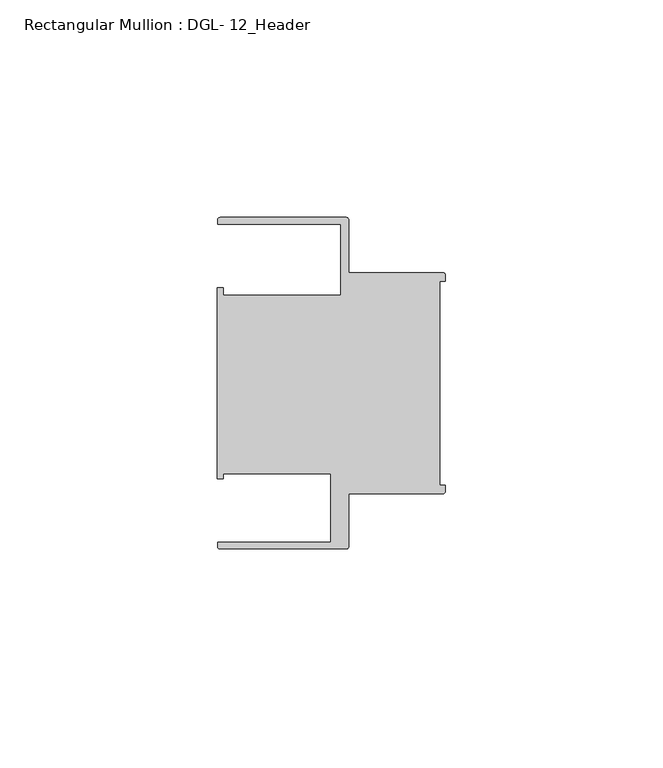
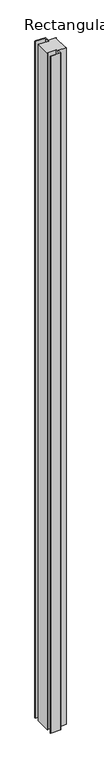
"""IFC4 building model written with IfcOpenShell, lengths in millimetres: member geometry, Rectangular Mullion : DGL- 12_Header."""

from ifc_helpers import new_model, si_unit, point, frame, frame_2d, origin, place, context, project, spatial, polyline, circle_curve, trimmed, segment, composite_curve, outline, extrude, source, transform, mapped, element, save


def rectangular_mullion_dgl_12_header_5383d1c3(model_context):
    return source(origin(), model_context, "Body", "SweptSolid", [
        extrude(outline(composite_curve([segment(trimmed(circle_curve(frame_2d((-0.5953125, 24.8046875)), 0.5953125), [point((-0.5953125, 25.4))], [point((0.0, 24.8046875))], False, "CARTESIAN"), True, "CONTINUOUS"), segment(polyline([(0.0, 24.8046875), (0.0, 23.4882401), (-1.30175, 23.4882401), (-1.30175, -23.4882401), (0.0, -23.4882401), (0.0, -24.8046875)]), True, "CONTINUOUS"), segment(trimmed(circle_curve(frame_2d((-0.5953125, -24.8046875)), 0.5953125), [point((0.0, -24.8046875))], [point((-0.5953125, -25.4))], False, "CARTESIAN"), True, "CONTINUOUS"), segment(polyline([(-0.5953125, -25.4), (-22.2332076, -25.4), (-22.2332076, -37.5047035)]), True, "CONTINUOUS"), segment(trimmed(circle_curve(frame_2d((-22.8285201, -37.5047035)), 0.5953125), [point((-22.2332076, -37.5047035))], [point((-22.8285201, -38.100016))], False, "CARTESIAN"), True, "CONTINUOUS"), segment(polyline([(-22.8285201, -38.100016), (-51.7968699, -38.100016)]), True, "CONTINUOUS"), segment(trimmed(circle_curve(frame_2d((-51.7968699, -37.5047035)), 0.5953125), [point((-51.7968699, -38.100016))], [point((-52.3921824, -37.5047035))], False, "CARTESIAN"), True, "CONTINUOUS"), segment(polyline([(-52.3921824, -37.5047035), (-52.3921824, -36.512516), (-26.3720794, -36.512516), (-26.3720794, -20.8257348), (-51.1280305, -20.8257348), (-51.1280305, -21.9710976), (-52.3948122, -21.9710976), (-52.3948122, 21.9710976), (-51.1280305, 21.9710976), (-51.1280305, 20.1823589), (-24.0747075, 20.1823589), (-24.0747075, 36.5123462), (-52.3921824, 36.5123462), (-52.3921824, 37.5043667)]), True, "CONTINUOUS"), segment(trimmed(circle_curve(frame_2d((-51.7968699, 37.5043667)), 0.5953125), [point((-52.3921824, 37.5043667))], [point((-51.7968699, 38.0996792))], False, "CARTESIAN"), True, "CONTINUOUS"), segment(polyline([(-51.7968699, 38.0996792), (-22.8285201, 38.0996792)]), True, "CONTINUOUS"), segment(trimmed(circle_curve(frame_2d((-22.8285201, 37.5043667)), 0.5953125), [point((-22.8285201, 38.0996792))], [point((-22.2332076, 37.5043667))], False, "CARTESIAN"), True, "CONTINUOUS"), segment(polyline([(-22.2332076, 37.5043667), (-22.2332076, 25.4), (-0.5953125, 25.4)]), True, "CONTINUOUS")], self_intersect=False)), frame((0.0, 0.0, -2032.0), z_axis=(0.0, 0.0, 1.0), x_axis=(1.0, 0.0, 0.0)), (0.0, 0.0, 1.0), 2032.0),
    ])


if __name__ == "__main__":
    model = new_model("IFC4")
    model_context = context("Model", 3, world=origin())
    ifc_project = project(units=[si_unit("LENGTHUNIT", "METRE", prefix="MILLI")], contexts=[model_context])
    site = spatial("IfcSite", under=ifc_project)
    building = spatial("IfcBuilding", under=site)
    placement = place(None, origin())
    rectangular_mullion_dgl_12_header_shape = rectangular_mullion_dgl_12_header_5383d1c3(model_context)
    element("IfcMember", 1, ObjectType="Rectangular Mullion : DGL- 12_Header", at=placement, inside=building, context=model_context, shape_type="MappedRepresentation", body=[
        mapped(rectangular_mullion_dgl_12_header_shape, transform((0.0, 0.0, 0.0), x_axis=(1.0, 0.0, 0.0), y_axis=(0.0, 1.0, 0.0), z_axis=(0.0, 0.0, 1.0))),
    ])
    save(model, "model.ifc")
